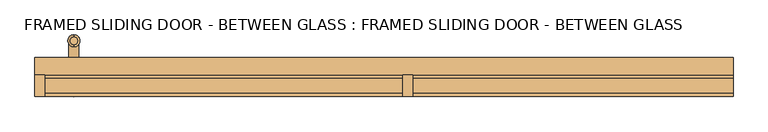
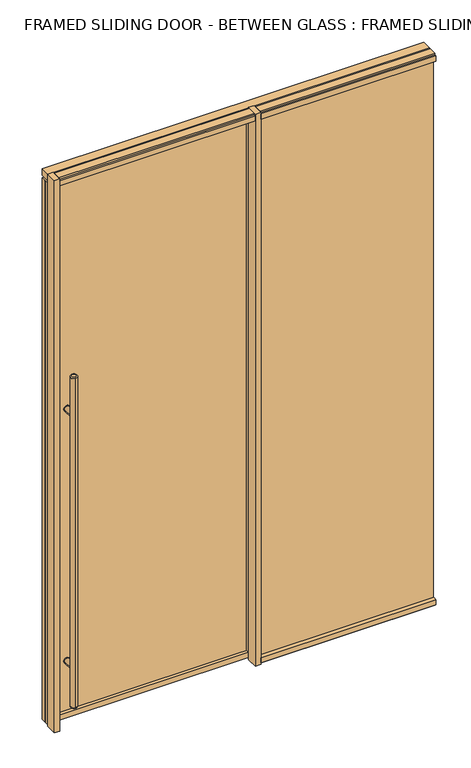
"""IFC4 building model written with IfcOpenShell, lengths in millimetres: door geometry, FRAMED SLIDING DOOR - BETWEEN GLASS : FRAMED SLIDING DOOR - BETWEEN GLASS."""

from ifc_helpers import new_model, si_unit, point, frame, frame_2d, origin, origin_with_axes, place, context, project, spatial, polyline, circle_curve, ellipse_curve, trimmed, segment, composite_curve, outline, extrude, source, transform, mapped, element, save
from ifc_brep_helpers import plane_surface, cylinder_surface, revolved_surface, advanced_brep


def framed_sliding_door_between_glass_framed_sliding_door_5e111e51(model_context):
    return source(origin(), model_context, "Body", "SolidModel", [
        extrude(outline(composite_curve([segment(trimmed(circle_curve(frame_2d((312.7375, -885.825)), 15.875), [point((312.7375, -901.7))], [point((312.7375, -869.95))], False, "CARTESIAN"), True, "CONTINUOUS"), segment(trimmed(circle_curve(frame_2d((312.7375, -885.825)), 15.875), [point((312.7375, -869.95))], [point((312.7375, -901.7))], False, "CARTESIAN"), True, "CONTINUOUS")], self_intersect=False)), frame((0.0, 47.625, 0.0), z_axis=(0.0, 1.0, 0.0), x_axis=(0.0, 0.0, 1.0)), (0.0, 0.0, 1.0), 3.175),
        extrude(outline(composite_curve([segment(trimmed(circle_curve(frame_2d((1703.3875, -885.825)), 15.875), [point((1703.3875, -869.95))], [point((1703.3875, -901.7))], False, "CARTESIAN"), True, "CONTINUOUS"), segment(trimmed(circle_curve(frame_2d((1703.3875, -885.825)), 15.875), [point((1703.3875, -901.7))], [point((1703.3875, -869.95))], False, "CARTESIAN"), True, "CONTINUOUS")], self_intersect=False)), frame((0.0, 47.625, 0.0), z_axis=(0.0, 1.0, 0.0), x_axis=(0.0, 0.0, 1.0)), (0.0, 0.0, 1.0), 3.175),
        extrude(outline(composite_curve([segment(trimmed(circle_curve(frame_2d((312.7375, -885.825)), 15.875), [point((312.7375, -901.7))], [point((312.7375, -869.95))], False, "CARTESIAN"), True, "CONTINUOUS"), segment(trimmed(circle_curve(frame_2d((312.7375, -885.825)), 15.875), [point((312.7375, -869.95))], [point((312.7375, -901.7))], False, "CARTESIAN"), True, "CONTINUOUS")], self_intersect=False)), frame((0.0, 63.5, 0.0), z_axis=(0.0, 1.0, 0.0), x_axis=(0.0, 0.0, 1.0)), (0.0, 0.0, 1.0), 3.175),
        extrude(outline(composite_curve([segment(trimmed(circle_curve(frame_2d((1703.3875, -885.825)), 15.875), [point((1703.3875, -901.7))], [point((1703.3875, -869.95))], False, "CARTESIAN"), True, "CONTINUOUS"), segment(trimmed(circle_curve(frame_2d((1703.3875, -885.825)), 15.875), [point((1703.3875, -869.95))], [point((1703.3875, -901.7))], False, "CARTESIAN"), True, "CONTINUOUS")], self_intersect=False)), frame((0.0, 63.5, 0.0), z_axis=(0.0, 1.0, 0.0), x_axis=(0.0, 0.0, 1.0)), (0.0, 0.0, 1.0), 3.175),
        extrude(outline(composite_curve([segment(trimmed(circle_curve(frame_2d((312.7375, -885.825)), 14.2875), [point((312.7375, -871.5375))], [point((312.7375, -900.1125))], False, "CARTESIAN"), True, "CONTINUOUS"), segment(trimmed(circle_curve(frame_2d((312.7375, -885.825)), 14.2875), [point((312.7375, -900.1125))], [point((312.7375, -871.5375))], False, "CARTESIAN"), True, "CONTINUOUS")], self_intersect=False)), frame((0.0, 63.5, 0.0), z_axis=(0.0, 1.0, 0.0), x_axis=(0.0, 0.0, 1.0)), (0.0, 0.0, 1.0), 65.0875),
        extrude(outline(composite_curve([segment(trimmed(circle_curve(frame_2d((1703.3875, -885.825)), 14.2875), [point((1703.3875, -871.5375))], [point((1703.3875, -900.1125))], False, "CARTESIAN"), True, "CONTINUOUS"), segment(trimmed(circle_curve(frame_2d((1703.3875, -885.825)), 14.2875), [point((1703.3875, -900.1125))], [point((1703.3875, -871.5375))], False, "CARTESIAN"), True, "CONTINUOUS")], self_intersect=False)), frame((0.0, 63.5, 0.0), z_axis=(0.0, 1.0, 0.0), x_axis=(0.0, 0.0, 1.0)), (0.0, 0.0, 1.0), 65.0875),
        advanced_brep(
        [(-885.825, -3.4925, 1924.05), (-885.825, -25.0825, 1924.05), (-885.825, -25.0825, 95.25), (-885.825, -3.4925, 95.25), (-885.825, -31.4325, 101.6), (-885.825, 2.8575, 101.6), (-885.825, 2.8575, 1917.7), (-885.825, -31.4325, 1917.7)],
        [
            (0, 1, circle_curve(frame((-885.825, -14.2875, 1924.05), z_axis=(0.0, 0.0, 1.0), x_axis=(0.0, 1.0, 0.0)), 10.795)),
            (1, 0, circle_curve(frame((-885.825, -14.2875, 1924.05), z_axis=(0.0, 0.0, 1.0), x_axis=(0.0, 1.0, 0.0)), 10.795)),
            (2, 3, circle_curve(frame((-885.825, -14.2875, 95.25), z_axis=(0.0, 0.0, -1.0), x_axis=(0.0, 1.0, 0.0)), 10.795)),
            (3, 2, circle_curve(frame((-885.825, -14.2875, 95.25), z_axis=(0.0, 0.0, -1.0), x_axis=(0.0, 1.0, 0.0)), 10.795)),
            (4, 5, circle_curve(frame((-885.825, -14.2875, 101.6), z_axis=(0.0, 0.0, 1.0), x_axis=(0.0, 1.0, 0.0)), 17.145)),
            (5, 6),
            (6, 7, circle_curve(frame((-885.825, -14.2875, 1917.7), z_axis=(0.0, 0.0, -1.0), x_axis=(0.0, 1.0, 0.0)), 17.145)),
            (7, 4),
            (5, 4, circle_curve(frame((-885.825, -14.2875, 101.6), z_axis=(0.0, 0.0, 1.0), x_axis=(0.0, 1.0, 0.0)), 17.145)),
            (7, 6, circle_curve(frame((-885.825, -14.2875, 1917.7), z_axis=(0.0, 0.0, -1.0), x_axis=(0.0, 1.0, 0.0)), 17.145)),
            (2, 4, circle_curve(frame((-885.825, -25.0825, 101.6), z_axis=(-1.0, 0.0, 0.0), x_axis=(0.0, -1.0, 0.0)), 6.35)),
            (5, 3, circle_curve(frame((-885.825, -3.4925, 101.6), z_axis=(-1.0, 0.0, 0.0), x_axis=(0.0, 1.0, 0.0)), 6.35)),
            (7, 1, circle_curve(frame((-885.825, -25.0825, 1917.7), z_axis=(-1.0, 0.0, 0.0), x_axis=(0.0, -1.0, 0.0)), 6.35)),
            (0, 6, circle_curve(frame((-885.825, -3.4925, 1917.7), z_axis=(-1.0, 0.0, 0.0), x_axis=(0.0, 1.0, 0.0)), 6.35)),
        ],
        [
            plane_surface(frame((-885.825, 145.7325, 1924.05), z_axis=(0.0, 0.0, 1.0), x_axis=(-1.0, 0.0, 0.0))),
            plane_surface(frame((-885.825, 145.7325, 95.25), z_axis=(0.0, 0.0, -1.0), x_axis=(1.0, 0.0, 0.0))),
            cylinder_surface(frame((-885.825, -14.2875, 95.25), z_axis=(0.0, 0.0, 1.0), x_axis=(0.0, 1.0, 0.0)), 17.145),
            revolved_surface(trimmed(ellipse_curve(frame((-885.825, -3.4925, 101.6), z_axis=(1.0, 0.0, 0.0), x_axis=(0.0, 1.0, 0.0)), 6.35, 6.35), [point((-885.825, -3.4925, 95.25))], [point((-885.825, 2.8575, 101.6))], True, "CARTESIAN"), (-885.825, -14.2875, 2533.65), (0.0, 0.0, 1.0)),
            revolved_surface(trimmed(ellipse_curve(frame((-885.825, -3.4925, 1917.7), z_axis=(1.0, 0.0, 0.0), x_axis=(0.0, 1.0, 0.0)), 6.35, 6.35), [point((-885.825, 2.8575, 1917.7))], [point((-885.825, -3.4925, 1924.05))], True, "CARTESIAN"), (-885.825, -14.2875, -514.35), (0.0, 0.0, 1.0)),
        ],
        [
            (0, [[1, 2]]),
            (1, [[3, 4]]),
            (2, [[5, 6, 7, 8]]),
            (2, [[9, -8, 10, -6]]),
            (3, [[11, -9, 12, -3]]),
            (3, [[-11, -4, -12, -5]]),
            (4, [[13, -1, 14, -10]]),
            (4, [[-13, -7, -14, -2]]),
        ],
    ),
        advanced_brep(
        [(-885.825, 139.3825, 1924.05), (-885.825, 117.7925, 1924.05), (-885.825, 117.7925, 95.25), (-885.825, 139.3825, 95.25), (-885.825, 111.4425, 101.6), (-885.825, 145.7325, 101.6), (-885.825, 145.7325, 1917.7), (-885.825, 111.4425, 1917.7)],
        [
            (0, 1, circle_curve(frame((-885.825, 128.5875, 1924.05), z_axis=(0.0, 0.0, 1.0), x_axis=(0.0, -1.0, 0.0)), 10.795)),
            (1, 0, circle_curve(frame((-885.825, 128.5875, 1924.05), z_axis=(0.0, 0.0, 1.0), x_axis=(0.0, -1.0, 0.0)), 10.795)),
            (2, 3, circle_curve(frame((-885.825, 128.5875, 95.25), z_axis=(0.0, 0.0, -1.0), x_axis=(0.0, -1.0, 0.0)), 10.795)),
            (3, 2, circle_curve(frame((-885.825, 128.5875, 95.25), z_axis=(0.0, 0.0, -1.0), x_axis=(0.0, -1.0, 0.0)), 10.795)),
            (4, 5, circle_curve(frame((-885.825, 128.5875, 101.6), z_axis=(0.0, 0.0, 1.0), x_axis=(0.0, 1.0, 0.0)), 17.145)),
            (5, 6),
            (6, 7, circle_curve(frame((-885.825, 128.5875, 1917.7), z_axis=(0.0, 0.0, -1.0), x_axis=(0.0, 1.0, 0.0)), 17.145)),
            (7, 4),
            (5, 4, circle_curve(frame((-885.825, 128.5875, 101.6), z_axis=(0.0, 0.0, 1.0), x_axis=(0.0, 1.0, 0.0)), 17.145)),
            (7, 6, circle_curve(frame((-885.825, 128.5875, 1917.7), z_axis=(0.0, 0.0, -1.0), x_axis=(0.0, 1.0, 0.0)), 17.145)),
            (5, 3, circle_curve(frame((-885.825, 139.3825, 101.6), z_axis=(-1.0, 0.0, 0.0), x_axis=(0.0, 1.0, 0.0)), 6.35)),
            (2, 4, circle_curve(frame((-885.825, 117.7925, 101.6), z_axis=(-1.0, 0.0, 0.0), x_axis=(0.0, -1.0, 0.0)), 6.35)),
            (0, 6, circle_curve(frame((-885.825, 139.3825, 1917.7), z_axis=(-1.0, 0.0, 0.0), x_axis=(0.0, 1.0, 0.0)), 6.35)),
            (7, 1, circle_curve(frame((-885.825, 117.7925, 1917.7), z_axis=(-1.0, 0.0, 0.0), x_axis=(0.0, -1.0, 0.0)), 6.35)),
        ],
        [
            plane_surface(frame((-885.825, 145.7325, 1924.05), z_axis=(0.0, 0.0, 1.0), x_axis=(-1.0, 0.0, 0.0))),
            plane_surface(frame((-885.825, 145.7325, 95.25), z_axis=(0.0, 0.0, -1.0), x_axis=(1.0, 0.0, 0.0))),
            cylinder_surface(frame((-885.825, 128.5875, 95.25), z_axis=(0.0, 0.0, 1.0), x_axis=(0.0, 1.0, 0.0)), 17.145),
            revolved_surface(trimmed(ellipse_curve(frame((-885.825, 117.7925, 101.6), z_axis=(1.0, 0.0, 0.0), x_axis=(0.0, -1.0, 0.0)), 6.35, 6.35), [point((-885.825, 111.4425, 101.6))], [point((-885.825, 117.7925, 95.25))], True, "CARTESIAN"), (-885.825, 128.5875, 2533.65), (0.0, 0.0, -1.0)),
            revolved_surface(trimmed(ellipse_curve(frame((-885.825, 117.7925, 1917.7), z_axis=(1.0, 0.0, 0.0), x_axis=(0.0, -1.0, 0.0)), 6.35, 6.35), [point((-885.825, 117.7925, 1924.05))], [point((-885.825, 111.4425, 1917.7))], True, "CARTESIAN"), (-885.825, 128.5875, -514.35), (0.0, 0.0, -1.0)),
        ],
        [
            (0, [[1, 2]]),
            (1, [[3, 4]]),
            (2, [[5, 6, 7, 8]]),
            (2, [[9, -8, 10, -6]]),
            (3, [[11, -3, 12, -9]]),
            (3, [[-11, -5, -12, -4]]),
            (4, [[13, -10, 14, -1]]),
            (4, [[-13, -2, -14, -7]]),
        ],
    ),
        extrude(outline(composite_curve([segment(trimmed(circle_curve(frame_2d((312.7375, -885.825)), 14.2875), [point((312.7375, -871.5375))], [point((312.7375, -900.1125))], False, "CARTESIAN"), True, "CONTINUOUS"), segment(trimmed(circle_curve(frame_2d((312.7375, -885.825)), 14.2875), [point((312.7375, -900.1125))], [point((312.7375, -871.5375))], False, "CARTESIAN"), True, "CONTINUOUS")], self_intersect=False)), frame((0.0, -14.2875, 0.0), z_axis=(0.0, 1.0, 0.0), x_axis=(0.0, 0.0, 1.0)), (0.0, 0.0, 1.0), 65.0875),
        extrude(outline(composite_curve([segment(trimmed(circle_curve(frame_2d((1703.3875, -885.825)), 14.2875), [point((1703.3875, -871.5375))], [point((1703.3875, -900.1125))], False, "CARTESIAN"), True, "CONTINUOUS"), segment(trimmed(circle_curve(frame_2d((1703.3875, -885.825)), 14.2875), [point((1703.3875, -900.1125))], [point((1703.3875, -871.5375))], False, "CARTESIAN"), True, "CONTINUOUS")], self_intersect=False)), frame((0.0, -14.2875, 0.0), z_axis=(0.0, 1.0, 0.0), x_axis=(0.0, 0.0, 1.0)), (0.0, 0.0, 1.0), 65.0875),
        extrude(outline(polyline([(996.95, 6.35), (996.95, -6.35), (82.5231001, -6.35), (82.5231001, 6.35), (996.95, 6.35)])), origin_with_axes(), (0.0, 0.0, 1.0), 3044.825),
        extrude(outline(polyline([(2997.2, -996.95), (9.525, -996.95), (9.525, 82.5231001), (2997.2, 82.5231001), (2997.2, -996.95)]), holes=[polyline([(2968.625, 53.9481001), (38.1, 53.9481001), (38.1, -968.375), (2968.625, -968.375), (2968.625, 53.9481001)])]), frame((0.0, 34.925, 0.0), z_axis=(0.0, 1.0, 0.0), x_axis=(0.0, 0.0, 1.0)), (0.0, 0.0, 1.0), 44.45),
        extrude(outline(polyline([(82.5231001, 30.1625), (82.5231001, -30.1625), (53.9481001, -30.1625), (53.9481001, 30.1625), (82.5231001, 30.1625)])), origin_with_axes(), (0.0, 0.0, 1.0), 3048.0),
        extrude(outline(polyline([(-968.375, 30.1625), (-968.375, -30.1625), (-996.95, -30.1625), (-996.95, 30.1625), (-968.375, 30.1625)])), origin_with_axes(), (0.0, 0.0, 1.0), 3048.0),
        extrude(outline(polyline([(82.5231001, 63.5), (82.5231001, 50.8), (-996.95, 50.8), (-996.95, 63.5), (82.5231001, 63.5)])), frame((0.0, 0.0, 9.525), z_axis=(0.0, 0.0, 1.0), x_axis=(1.0, 0.0, 0.0)), (0.0, 0.0, 1.0), 2987.675),
        extrude(outline(polyline([(20.6375, 3048.0), (20.6375, 3038.475), (30.1625, 3038.475), (30.1625, 3009.9), (11.1125, 3009.9), (11.1125, 3044.825), (-11.1125, 3044.825), (-11.1125, 3009.9), (-30.1625, 3009.9), (-30.1625, 3038.475), (-20.6375, 3038.475), (-20.6375, 3048.0), (20.6375, 3048.0)])), frame((-968.375, 0.0, 0.0), z_axis=(1.0, 0.0, 0.0), x_axis=(0.0, 1.0, 0.0)), (0.0, 0.0, 1.0), 1022.3231001),
        extrude(outline(polyline([(996.95, 80.9625), (996.95, 30.1625), (-996.95, 30.1625), (-996.95, 80.9625), (996.95, 80.9625)])), frame((0.0, 0.0, 3009.9), z_axis=(0.0, 0.0, 1.0), x_axis=(1.0, 0.0, 0.0)), (0.0, 0.0, 1.0), 38.1),
        extrude(outline(polyline([(30.1625, 9.525), (20.6375, 9.525), (20.6375, 0.0), (-20.6375, 0.0), (-20.6375, 9.525), (-30.1625, 9.525), (-30.1625, 38.1), (-11.1125, 38.1), (-11.1125, 3.175), (11.1125, 3.175), (11.1125, 38.1), (30.1625, 38.1), (30.1625, 9.525)])), frame((82.5231001, 0.0, 0.0), z_axis=(1.0, 0.0, 0.0), x_axis=(0.0, 1.0, 0.0)), (0.0, 0.0, 1.0), 914.4268999),
        extrude(outline(polyline([(-30.1625, 3038.475), (-20.6375, 3038.475), (-20.6375, 3048.0), (20.6375, 3048.0), (20.6375, 3038.475), (30.1625, 3038.475), (30.1625, 3009.9), (11.1125, 3009.9), (11.1125, 3044.825), (-11.1125, 3044.825), (-11.1125, 3009.9), (-30.1625, 3009.9), (-30.1625, 3038.475)])), frame((82.5231001, 0.0, 0.0), z_axis=(1.0, 0.0, 0.0), x_axis=(0.0, 1.0, 0.0)), (0.0, 0.0, 1.0), 914.4268999),
    ])


if __name__ == "__main__":
    model = new_model("IFC4")
    model_context = context("Model", 3, world=origin())
    ifc_project = project(units=[si_unit("LENGTHUNIT", "METRE", prefix="MILLI")], contexts=[model_context])
    site = spatial("IfcSite", under=ifc_project)
    building = spatial("IfcBuilding", under=site)
    placement = place(None, origin())
    framed_sliding_door_between_glass_framed_sliding_door_shape = framed_sliding_door_between_glass_framed_sliding_door_5e111e51(model_context)
    element("IfcDoor", 1, ObjectType="FRAMED SLIDING DOOR - BETWEEN GLASS : FRAMED SLIDING DOOR - BETWEEN GLASS", at=placement, inside=building, context=model_context, shape_type="MappedRepresentation", body=[
        mapped(framed_sliding_door_between_glass_framed_sliding_door_shape, transform((0.0, 0.0, 0.0), x_axis=(1.0, 0.0, 0.0), y_axis=(0.0, 1.0, 0.0), z_axis=(0.0, 0.0, 1.0))),
    ])
    save(model, "model.ifc")
